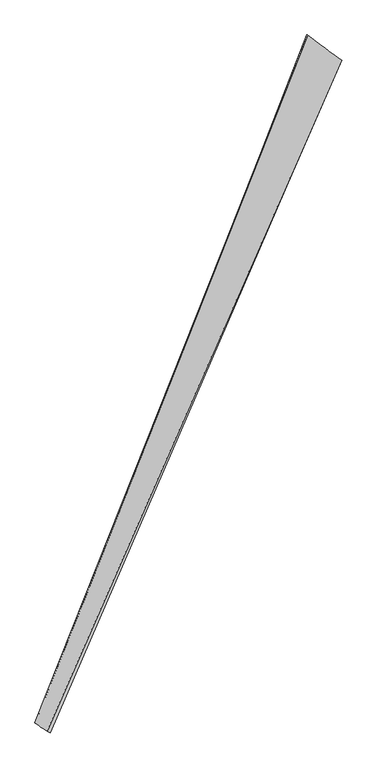
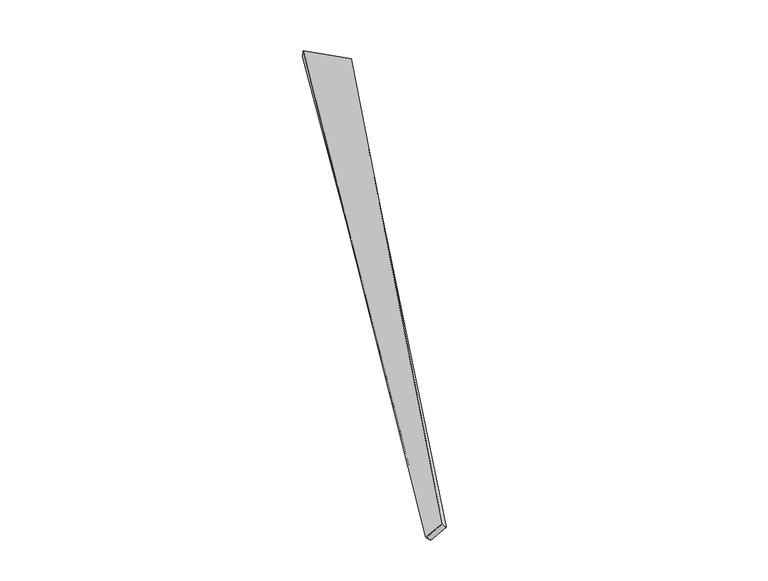
"""IFC4 building model written with IfcOpenShell, lengths in millimetres: proxy geometry."""

from ifc_helpers import new_model, si_unit, origin, place, context, project, spatial, source, transform, mapped, element, save
from ifc_brep_helpers import spline_surface, advanced_brep


def generic_models_759da0fe(model_context):
    return source(origin(), model_context, "Body", "AdvancedBrep", [
        advanced_brep(
        [(-684.0735545, -1732.986338, 42.6616152), (-666.1505406, -1741.2020329, 20.0503806), (960.1083628, 2020.4858248, -44.727526), (963.3782535, 2019.5076258, -14.9223093), (-730.1076912, -1695.489132, -61.2188166), (768.9367819, 2162.5027492, -14.8026596), (-752.0875322, -1687.0560515, -42.6239317), (772.7828332, 2160.5347638, 14.8846259)],
        [
            (0, 1),
            (1, 2),
            (2, 3),
            (3, 0),
            (1, 4),
            (4, 5),
            (5, 2),
            (4, 6),
            (6, 7),
            (7, 5),
            (6, 0),
            (3, 7),
        ],
        [
            spline_surface(1, 1, [[(-684.0735545, -1732.986338, 42.6616152), (963.3782535, 2019.5076258, -14.9223093)], [(-666.1505406, -1741.2020329, 20.0503806), (960.1083628, 2020.4858248, -44.727526)]], [2, 2], [2, 2], [0.0, 1.0], [0.0, 1.0]),
            spline_surface(1, 1, [[(-666.1505406, -1741.2020329, 20.0503806), (960.1083628, 2020.4858248, -44.727526)], [(-730.1076912, -1695.489132, -61.2188166), (768.9367819, 2162.5027492, -14.8026596)]], [2, 2], [2, 2], [0.0, 1.0], [0.0, 1.0]),
            spline_surface(1, 1, [[(-730.1076912, -1695.489132, -61.2188166), (768.9367819, 2162.5027492, -14.8026596)], [(-752.0875322, -1687.0560515, -42.6239317), (772.7828332, 2160.5347638, 14.8846259)]], [2, 2], [2, 2], [0.0, 1.0], [0.0, 1.0]),
            spline_surface(1, 1, [[(-752.0875322, -1687.0560515, -42.6239317), (772.7828332, 2160.5347638, 14.8846259)], [(-684.0735545, -1732.986338, 42.6616152), (963.3782535, 2019.5076258, -14.9223093)]], [2, 2], [2, 2], [0.0, 1.0], [0.0, 1.0]),
            spline_surface(1, 1, [[(960.1083628, 2020.4858248, -44.727526), (963.3782535, 2019.5076258, -14.9223093)], [(768.9367819, 2162.5027492, -14.8026596), (772.7828332, 2160.5347638, 14.8846259)]], [2, 2], [2, 2], [0.0, 1.0], [0.0, 1.0]),
            spline_surface(1, 1, [[(-752.0875322, -1687.0560515, -42.6239317), (-684.0735545, -1732.986338, 42.6616152)], [(-730.1076912, -1695.489132, -61.2188166), (-666.1505406, -1741.2020329, 20.0503806)]], [2, 2], [2, 2], [0.0, 1.0], [0.0, 1.0]),
        ],
        [
            (0, [[1, 2, 3, 4]]),
            (1, [[5, 6, 7, -2]]),
            (2, [[8, 9, 10, -6]]),
            (3, [[11, -4, 12, -9]]),
            (4, [[-3, -7, -10, -12]]),
            (5, [[-11, -8, -5, -1]]),
        ],
    ),
    ])


if __name__ == "__main__":
    model = new_model("IFC4")
    model_context = context("Model", 3, world=origin())
    ifc_project = project(units=[si_unit("LENGTHUNIT", "METRE", prefix="MILLI")], contexts=[model_context])
    site = spatial("IfcSite", under=ifc_project)
    building = spatial("IfcBuilding", under=site)
    placement = place(None, origin())
    generic_models_shape = generic_models_759da0fe(model_context)
    element("IfcBuildingElementProxy", 1, Name="Generic Models", at=placement, inside=building, context=model_context, shape_type="MappedRepresentation", body=[
        mapped(generic_models_shape, transform((0.0, 0.0, 0.0), x_axis=(1.0, 0.0, 0.0), y_axis=(0.0, 1.0, 0.0), z_axis=(0.0, 0.0, 1.0))),
    ])
    save(model, "model.ifc")
